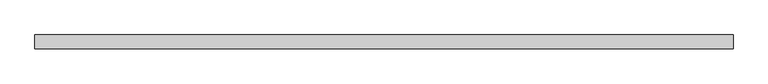
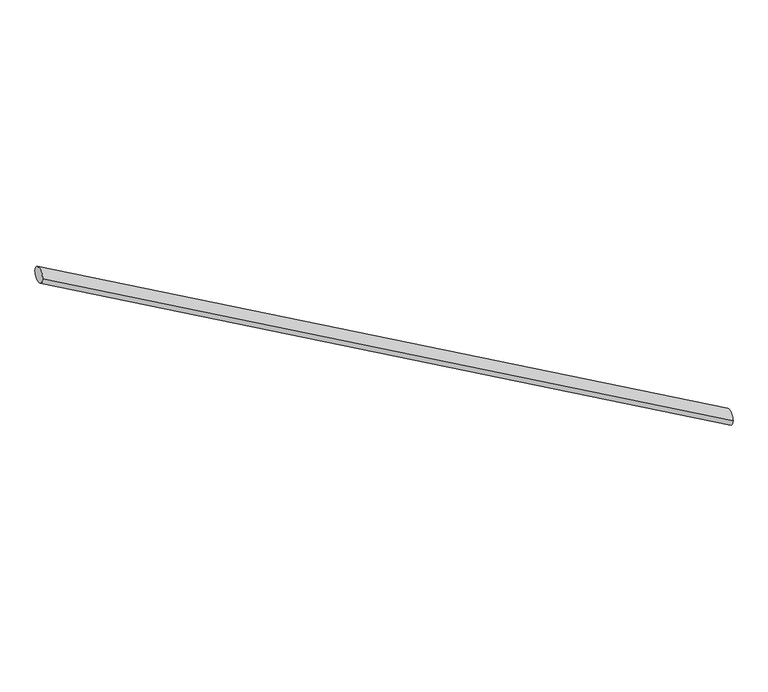
"""IFC4 building model written with IfcOpenShell, lengths in millimetres: railing geometry."""

from ifc_helpers import new_model, si_unit, frame, origin, place, context, project, spatial, ellipse_curve, source, transform, mapped, element, save
from ifc_brep_helpers import plane_surface, cylinder_surface, advanced_brep


def railing_06630f32(model_context):
    return source(origin(), model_context, "Body", "AdvancedBrep", [
        advanced_brep(
        [(436.3248072, -17998.2637655, -975.484375), (436.3248072, -18078.2637655, -975.484375), (-3623.6751928, -17998.2637655, 1328.5210701), (-3623.6751928, -18078.2637655, 1328.5210701)],
        [
            (0, 1, ellipse_curve(frame((436.3248072, -18038.2637655, -975.484375), z_axis=(1.0, 0.0, 0.0), x_axis=(0.0, 0.0, -1.0)), 45.9920653, 40.0)),
            (1, 0, ellipse_curve(frame((436.3248072, -18038.2637655, -975.484375), z_axis=(1.0, 0.0, 0.0), x_axis=(0.0, 0.0, -1.0)), 45.9920653, 40.0)),
            (2, 3, ellipse_curve(frame((-3623.6751928, -18038.2637655, 1328.5210701), z_axis=(-1.0, 0.0, 0.0), x_axis=(0.0, 0.0, -1.0)), 45.9920653, 40.0)),
            (3, 2, ellipse_curve(frame((-3623.6751928, -18038.2637655, 1328.5210701), z_axis=(-1.0, 0.0, 0.0), x_axis=(0.0, 0.0, -1.0)), 45.9920653, 40.0)),
            (0, 2),
            (3, 1),
        ],
        [
            plane_surface(frame((436.3248072, -18038.2637655, -975.484375), z_axis=(1.0, 0.0, 0.0), x_axis=(0.0, -1.0, 0.0))),
            plane_surface(frame((-3623.6751928, -18038.2637655, 1328.5210701), z_axis=(-1.0, 0.0, 0.0), x_axis=(0.0, -1.0, 0.0))),
            cylinder_surface(frame((436.3248072, -18038.2637655, -975.484375), z_axis=(0.8697152374700224, 0.0, -0.493553852900028), x_axis=(0.0, -1.0, 0.0)), 40.0),
        ],
        [
            (0, [[1, 2]]),
            (1, [[3, 4]]),
            (2, [[-1, 5, -4, 6]]),
            (2, [[-2, -6, -3, -5]]),
        ],
    ),
    ])


if __name__ == "__main__":
    model = new_model("IFC4")
    model_context = context("Model", 3, world=origin())
    ifc_project = project(units=[si_unit("LENGTHUNIT", "METRE", prefix="MILLI")], contexts=[model_context])
    site = spatial("IfcSite", under=ifc_project)
    building = spatial("IfcBuilding", under=site)
    placement = place(None, origin())
    railing_shape = railing_06630f32(model_context)
    element("IfcRailing", 1, at=placement, inside=building, context=model_context, shape_type="MappedRepresentation", body=[
        mapped(railing_shape, transform((0.0, 0.0, 0.0), x_axis=(1.0, 0.0, 0.0), y_axis=(0.0, 1.0, 0.0), z_axis=(0.0, 0.0, 1.0))),
    ])
    save(model, "model.ifc")
